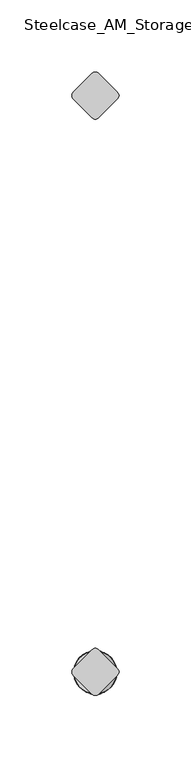
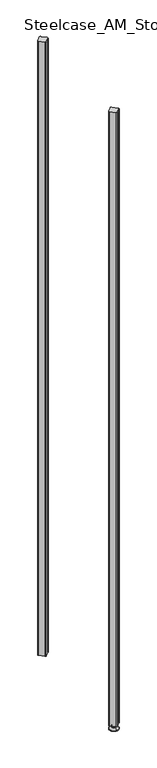
"""IFC4 building model written with IfcOpenShell, lengths in millimetres: furniture geometry, Steelcase_AM_Storage_FlexActiveFrames_FrameExtension : 5 High."""

from ifc_helpers import new_model, si_unit, point, frame, frame_2d, origin, place, context, project, spatial, polyline, circle_curve, ellipse_curve, trimmed, segment, composite_curve, outline, extrude, source, transform, mapped, element, save
from ifc_brep_helpers import plane_surface, cylinder_surface, revolved_surface, advanced_brep


def steelcase_am_storage_flexactiveframes_frameextension_5_high_6e0e7c89(model_context):
    return source(origin(), model_context, "Body", "SolidModel", [
        advanced_brep(
        [(800.1, -400.05, 15.9766), (800.1, -396.050341, 15.9766), (800.1, -404.049659, 15.9766), (800.1, -396.050341, 12.6000054), (800.1, -404.049659, 12.6000054), (800.1, -394.1898545, 12.6000074), (800.1, -405.9101455, 12.6000074), (800.1, -393.5548538, 11.9650074), (800.1, -406.5451462, 11.9650074), (800.1, -393.5548538, 9.0000124), (800.1, -406.5451462, 9.0000124), (800.1, -391.3078024, 9.0000124), (800.1, -408.7921976, 9.0000124), (800.1, -385.3439923, 2.3275608), (800.1, -414.7560077, 2.3275608), (800.1, -386.385399, 0.0), (800.1, -413.714601, 0.0), (800.1, -400.05, 0.0)],
        [
            (0, 1),
            (1, 2, circle_curve(frame((800.1, -400.05, 15.9766), z_axis=(0.0, 0.0, 1.0), x_axis=(0.0, 1.0, 0.0)), 3.999659)),
            (2, 0),
            (2, 1, circle_curve(frame((800.1, -400.05, 15.9766), z_axis=(0.0, 0.0, 1.0), x_axis=(0.0, 1.0, 0.0)), 3.999659)),
            (1, 3),
            (3, 4, circle_curve(frame((800.1, -400.05, 12.6000054), z_axis=(0.0, 0.0, 1.0), x_axis=(0.0, 1.0, 0.0)), 3.999659)),
            (4, 2),
            (4, 3, circle_curve(frame((800.1, -400.05, 12.6000054), z_axis=(0.0, 0.0, 1.0), x_axis=(0.0, 1.0, 0.0)), 3.999659)),
            (3, 5),
            (5, 6, circle_curve(frame((800.1, -400.05, 12.6000074), z_axis=(0.0, 0.0, 1.0), x_axis=(0.0, 1.0, 0.0)), 5.8601455)),
            (6, 4),
            (6, 5, circle_curve(frame((800.1, -400.05, 12.6000074), z_axis=(0.0, 0.0, 1.0), x_axis=(0.0, 1.0, 0.0)), 5.8601455)),
            (5, 7, circle_curve(frame((800.1, -394.1898538, 11.9650074), z_axis=(-1.0, 0.0, 0.0), x_axis=(0.0, 1.0, 0.0)), 0.635)),
            (7, 8, circle_curve(frame((800.1, -400.05, 11.9650074), z_axis=(0.0, 0.0, 1.0), x_axis=(0.0, 1.0, 0.0)), 6.4951462)),
            (8, 6, circle_curve(frame((800.1, -405.9101462, 11.9650074), z_axis=(-1.0, 0.0, 0.0), x_axis=(0.0, -1.0, 0.0)), 0.635)),
            (8, 7, circle_curve(frame((800.1, -400.05, 11.9650074), z_axis=(0.0, 0.0, 1.0), x_axis=(0.0, 1.0, 0.0)), 6.4951462)),
            (7, 9),
            (9, 10, circle_curve(frame((800.1, -400.05, 9.0000124), z_axis=(0.0, 0.0, 1.0), x_axis=(0.0, 1.0, 0.0)), 6.4951462)),
            (10, 8),
            (10, 9, circle_curve(frame((800.1, -400.05, 9.0000124), z_axis=(0.0, 0.0, 1.0), x_axis=(0.0, 1.0, 0.0)), 6.4951462)),
            (9, 11),
            (11, 12, circle_curve(frame((800.1, -400.05, 9.0000124), z_axis=(0.0, 0.0, 1.0), x_axis=(0.0, 1.0, 0.0)), 8.7421976)),
            (12, 10),
            (12, 11, circle_curve(frame((800.1, -400.05, 9.0000124), z_axis=(0.0, 0.0, 1.0), x_axis=(0.0, 1.0, 0.0)), 8.7421976)),
            (11, 13),
            (13, 14, circle_curve(frame((800.1, -400.05, 2.3275608), z_axis=(0.0, 0.0, 1.0), x_axis=(0.0, 1.0, 0.0)), 14.7060077)),
            (14, 12),
            (14, 13, circle_curve(frame((800.1, -400.05, 2.3275608), z_axis=(0.0, 0.0, 1.0), x_axis=(0.0, 1.0, 0.0)), 14.7060077)),
            (13, 15, circle_curve(frame((800.1, -386.385399, 1.3967556), z_axis=(-1.0, 0.0, 0.0), x_axis=(0.0, 1.0, 0.0)), 1.3967556)),
            (15, 16, circle_curve(frame((800.1, -400.05, 0.0), z_axis=(0.0, 0.0, 1.0), x_axis=(0.0, 1.0, 0.0)), 13.664601)),
            (16, 14, circle_curve(frame((800.1, -413.714601, 1.3967556), z_axis=(-1.0, 0.0, 0.0), x_axis=(0.0, -1.0, 0.0)), 1.3967556)),
            (16, 15, circle_curve(frame((800.1, -400.05, 0.0), z_axis=(0.0, 0.0, 1.0), x_axis=(0.0, 1.0, 0.0)), 13.664601)),
            (15, 17),
            (17, 16),
        ],
        [
            plane_surface(frame((800.1, -400.05, 15.9766), z_axis=(0.0, 0.0, 1.0), x_axis=(0.0, 1.0, 0.0))),
            cylinder_surface(frame((800.1, -400.05, -4.132372), z_axis=(0.0, 0.0, 1.0), x_axis=(0.0, 1.0, 0.0)), 3.999659),
            plane_surface(frame((800.1, -400.05, 12.6000074), z_axis=(0.0, 0.0, 1.0), x_axis=(0.0, 1.0, 0.0))),
            revolved_surface(trimmed(ellipse_curve(frame((800.1, -394.1898538, 11.9650074), z_axis=(1.0, 0.0, 0.0), x_axis=(0.0, 1.0, 0.0)), 0.635, 0.635), [point((800.1, -393.5548538, 11.9650074))], [point((800.1, -394.1898545, 12.6000074))], True, "CARTESIAN"), (800.1, -400.05, -4.132372), (0.0, 0.0, 1.0)),
            cylinder_surface(frame((800.1, -400.05, -4.132372), z_axis=(0.0, 0.0, 1.0), x_axis=(0.0, 1.0, 0.0)), 6.4951462),
            plane_surface(frame((800.1, -400.05, 9.0000124), z_axis=(0.0, 0.0, 1.0), x_axis=(0.0, 1.0, 0.0))),
            revolved_surface(polyline([(800.1, -385.3439923, 2.3275608), (800.1, -391.3078024, 9.0000124)]), (800.1, -400.05, -4.132372), (0.0, 0.0, 1.0)),
            revolved_surface(trimmed(ellipse_curve(frame((800.1, -386.385399, 1.3967556), z_axis=(1.0, 0.0, 0.0), x_axis=(0.0, 1.0, 0.0)), 1.3967556, 1.3967556), [point((800.1, -386.385399, 0.0))], [point((800.1, -385.3439923, 2.3275608))], True, "CARTESIAN"), (800.1, -400.05, -4.132372), (0.0, 0.0, 1.0)),
            plane_surface(frame((800.1, -400.05, 0.0), z_axis=(0.0, 0.0, -1.0), x_axis=(0.0, 1.0, 0.0))),
        ],
        [
            (0, [[1, 2, 3]]),
            (0, [[-3, 4, -1]]),
            (1, [[-2, 5, 6, 7]]),
            (1, [[-4, -7, 8, -5]]),
            (2, [[-6, 9, 10, 11]]),
            (2, [[-8, -11, 12, -9]]),
            (3, [[-10, 13, 14, 15]]),
            (3, [[-12, -15, 16, -13]]),
            (4, [[-14, 17, 18, 19]]),
            (4, [[-16, -19, 20, -17]]),
            (5, [[-18, 21, 22, 23]]),
            (5, [[-20, -23, 24, -21]]),
            (6, [[-22, 25, 26, 27]]),
            (6, [[-24, -27, 28, -25]]),
            (7, [[-26, 29, 30, 31]]),
            (7, [[-28, -31, 32, -29]]),
            (8, [[-30, 33, 34]]),
            (8, [[-32, -34, -33]]),
        ],
    ),
        extrude(outline(composite_curve([segment(trimmed(circle_curve(frame_2d((800.1, -13.1875415)), 3.175), [point((802.345064, -15.4326055))], [point((797.854936, -15.4326055))], False, "CARTESIAN"), True, "CONTINUOUS"), segment(polyline([(797.854936, -15.4326055), (784.6673945, -2.245064)]), True, "CONTINUOUS"), segment(trimmed(circle_curve(frame_2d((786.9124585, 0.0)), 3.175), [point((784.6673945, -2.245064))], [point((784.6673945, 2.245064))], False, "CARTESIAN"), True, "CONTINUOUS"), segment(polyline([(784.6673945, 2.245064), (797.854936, 15.4326055)]), True, "CONTINUOUS"), segment(trimmed(circle_curve(frame_2d((800.1, 13.1875415)), 3.175), [point((797.854936, 15.4326055))], [point((802.345064, 15.4326055))], False, "CARTESIAN"), True, "CONTINUOUS"), segment(polyline([(802.345064, 15.4326055), (815.5326055, 2.245064)]), True, "CONTINUOUS"), segment(trimmed(circle_curve(frame_2d((813.2875415, 0.0)), 3.175), [point((815.5326055, 2.245064))], [point((815.5326055, -2.245064))], False, "CARTESIAN"), True, "CONTINUOUS"), segment(polyline([(815.5326055, -2.245064), (802.345064, -15.4326055)]), True, "CONTINUOUS")], self_intersect=False)), frame((0.0, 0.0, 15.9766), z_axis=(0.0, 0.0, 1.0), x_axis=(1.0, 0.0, 0.0)), (0.0, 0.0, 1.0), 2111.2734),
        extrude(outline(composite_curve([segment(polyline([(802.345064, -384.6173945), (815.5326055, -397.804936)]), True, "CONTINUOUS"), segment(trimmed(circle_curve(frame_2d((813.2875415, -400.05)), 3.175), [point((815.5326055, -397.804936))], [point((815.5326055, -402.295064))], False, "CARTESIAN"), True, "CONTINUOUS"), segment(polyline([(815.5326055, -402.295064), (802.345064, -415.4826055)]), True, "CONTINUOUS"), segment(trimmed(circle_curve(frame_2d((800.1, -413.2375415)), 3.175), [point((802.345064, -415.4826055))], [point((797.854936, -415.4826055))], False, "CARTESIAN"), True, "CONTINUOUS"), segment(polyline([(797.854936, -415.4826055), (784.6673945, -402.295064)]), True, "CONTINUOUS"), segment(trimmed(circle_curve(frame_2d((786.9124585, -400.05)), 3.175), [point((784.6673945, -402.295064))], [point((784.6673945, -397.804936))], False, "CARTESIAN"), True, "CONTINUOUS"), segment(polyline([(784.6673945, -397.804936), (797.854936, -384.6173945)]), True, "CONTINUOUS"), segment(trimmed(circle_curve(frame_2d((800.1, -386.8624585)), 3.175), [point((797.854936, -384.6173945))], [point((802.345064, -384.6173945))], False, "CARTESIAN"), True, "CONTINUOUS")], self_intersect=False)), frame((0.0, 0.0, 15.9766), z_axis=(0.0, 0.0, 1.0), x_axis=(1.0, 0.0, 0.0)), (0.0, 0.0, 1.0), 2111.2734),
    ])


if __name__ == "__main__":
    model = new_model("IFC4")
    model_context = context("Model", 3, world=origin())
    ifc_project = project(units=[si_unit("LENGTHUNIT", "METRE", prefix="MILLI")], contexts=[model_context])
    site = spatial("IfcSite", under=ifc_project)
    building = spatial("IfcBuilding", under=site)
    placement = place(None, origin())
    steelcase_am_storage_flexactiveframes_frameextension_5_high_shape = steelcase_am_storage_flexactiveframes_frameextension_5_high_6e0e7c89(model_context)
    element("IfcFurniture", 1, ObjectType="Steelcase_AM_Storage_FlexActiveFrames_FrameExtension : 5 High", at=placement, inside=building, context=model_context, shape_type="MappedRepresentation", body=[
        mapped(steelcase_am_storage_flexactiveframes_frameextension_5_high_shape, transform((0.0, 0.0, 0.0), x_axis=(1.0, 0.0, 0.0), y_axis=(0.0, 1.0, 0.0), z_axis=(0.0, 0.0, 1.0))),
    ])
    save(model, "model.ifc")
